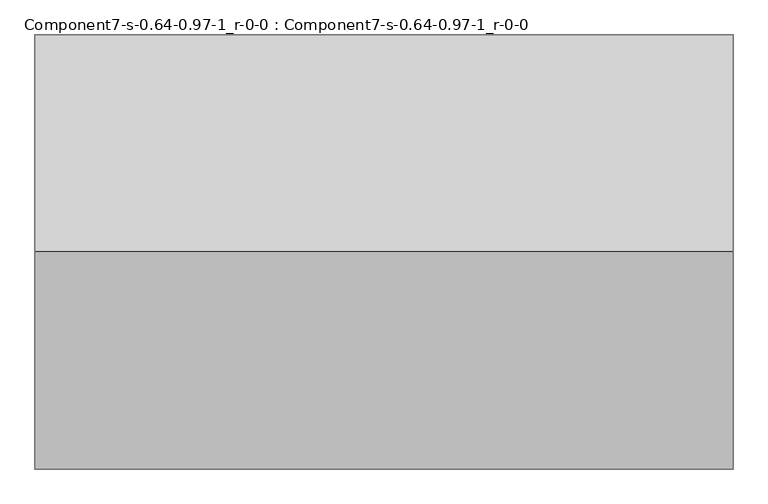
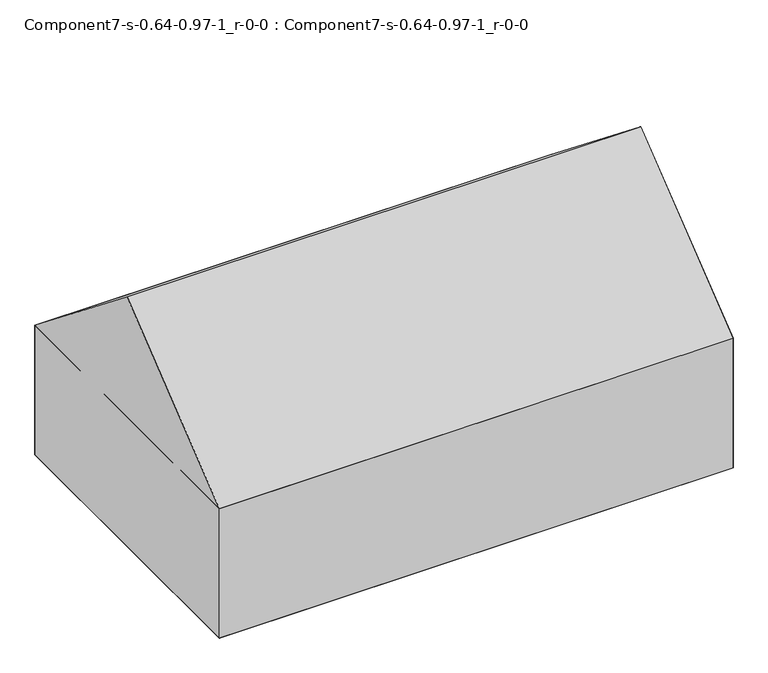
"""IFC4 building model written with IfcOpenShell, lengths in millimetres: geographic element geometry, Component7-s-0.64-0.97-1_r-0-0 : Component7-s-0.64-0.97-1_r-0-0."""

from ifc_helpers import new_model, si_unit, origin, place, context, project, spatial, triangles, source, transform, mapped, element, save


def component7_s_0_64_0_97_1_r_0_0_component7_s_0_64_0_97_1_r_0_bdefbe2b(model_context):
    return source(origin(), model_context, "Body", "Tessellation", [
        triangles([(12640.7830719, 590.702389, 3263.8999031), (392.3741604, 4397.9638206, 6296.025), (392.3741604, 590.702389, 3263.8999031), (12640.7830719, 4397.9638206, 6296.025), (12640.7830719, 8205.225325, 3263.8999031), (392.3741604, 8205.225325, 3263.8999031), (12640.7830719, 8205.225325, 0.0), (392.3741604, 590.702389, 0.0), (392.3741604, 8205.225325, 0.0), (12640.7830719, 590.702389, 0.0)], [[1, 2, 3], [2, 1, 4], [5, 4, 1], [6, 3, 2], [5, 3, 6], [3, 5, 1], [4, 6, 2], [6, 4, 5], [1, 6, 3], [6, 1, 5], [7, 8, 9], [8, 7, 10], [6, 8, 3], [8, 6, 9], [1, 8, 10], [8, 1, 3], [6, 7, 9], [7, 6, 5], [7, 1, 10], [1, 7, 5]], closed=False),
    ])


if __name__ == "__main__":
    model = new_model("IFC4")
    model_context = context("Model", 3, world=origin())
    ifc_project = project(units=[si_unit("LENGTHUNIT", "METRE", prefix="MILLI")], contexts=[model_context])
    site = spatial("IfcSite", under=ifc_project)
    building = spatial("IfcBuilding", under=site)
    placement = place(None, origin())
    component7_s_0_64_0_97_1_r_0_0_component7_s_0_64_0_97_1_r_0_shape = component7_s_0_64_0_97_1_r_0_0_component7_s_0_64_0_97_1_r_0_bdefbe2b(model_context)
    element("IfcGeographicElement", 1, ObjectType="Component7-s-0.64-0.97-1_r-0-0 : Component7-s-0.64-0.97-1_r-0-0", at=placement, inside=building, context=model_context, shape_type="MappedRepresentation", body=[
        mapped(component7_s_0_64_0_97_1_r_0_0_component7_s_0_64_0_97_1_r_0_shape, transform((0.0, 0.0, 0.0), x_axis=(1.0, 0.0, 0.0), y_axis=(0.0, 1.0, 0.0), z_axis=(0.0, 0.0, 1.0))),
    ])
    save(model, "model.ifc")
